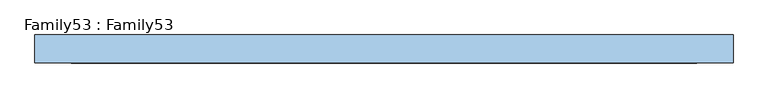
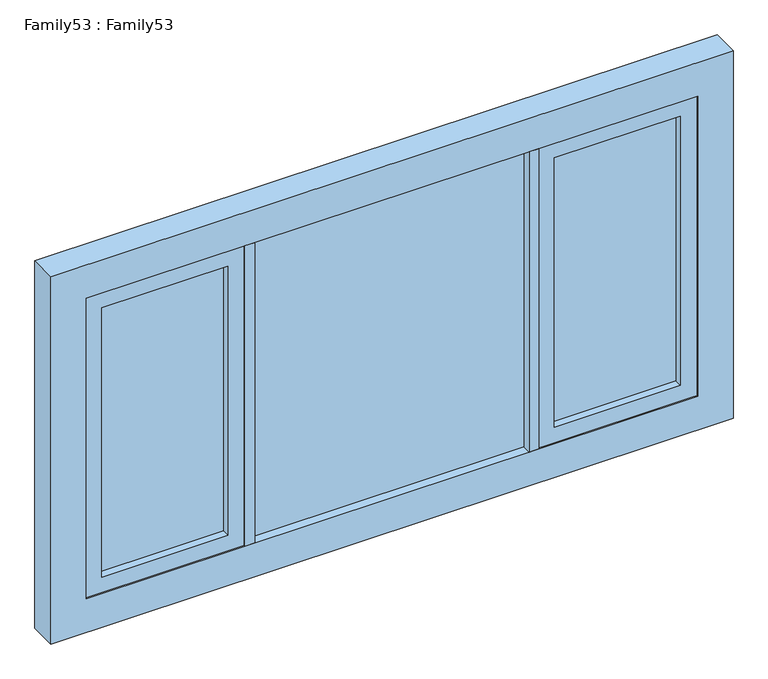
"""IFC4 building model written with IfcOpenShell, lengths in millimetres: window geometry, Family53 : Family53."""

from ifc_helpers import new_model, si_unit, frame, origin, place, context, project, spatial, polyline, outline, extrude, source, transform, mapped, element, save


def family53_family53_deb7141f(model_context):
    return source(origin(), model_context, "Body", "SweptSolid", [
        extrude(outline(polyline([(420.0, 14.0), (420.0, 10.0), (-420.0, 10.0), (-420.0, 14.0), (420.0, 14.0)])), frame((0.0, 0.0, 909.0), z_axis=(0.0, 0.0, 1.0), x_axis=(1.0, 0.0, 0.0)), (0.0, 0.0, 1.0), 972.0),
        extrude(outline(polyline([(-420.0, -10.0), (420.0, -10.0), (420.0, -14.0), (-420.0, -14.0), (-420.0, -10.0)])), frame((0.0, 0.0, 909.0), z_axis=(0.0, 0.0, 1.0), x_axis=(1.0, 0.0, 0.0)), (0.0, 0.0, 1.0), 972.0),
        extrude(outline(polyline([(-500.0, 14.0), (-500.0, 10.0), (-886.0, 10.0), (-886.0, 14.0), (-500.0, 14.0)])), frame((0.0, 0.0, 959.0), z_axis=(0.0, 0.0, 1.0), x_axis=(1.0, 0.0, 0.0)), (0.0, 0.0, 1.0), 872.0),
        extrude(outline(polyline([(-500.0, -10.0), (-500.0, -14.0), (-886.0, -14.0), (-886.0, -10.0), (-500.0, -10.0)])), frame((0.0, 0.0, 959.0), z_axis=(0.0, 0.0, 1.0), x_axis=(1.0, 0.0, 0.0)), (0.0, 0.0, 1.0), 872.0),
        extrude(outline(polyline([(886.0, 14.0), (886.0, 10.0), (500.0, 10.0), (500.0, 14.0), (886.0, 14.0)])), frame((0.0, 0.0, 959.0), z_axis=(0.0, 0.0, 1.0), x_axis=(1.0, 0.0, 0.0)), (0.0, 0.0, 1.0), 872.0),
        extrude(outline(polyline([(500.0, -10.0), (886.0, -10.0), (886.0, -14.0), (500.0, -14.0), (500.0, -10.0)])), frame((0.0, 0.0, 959.0), z_axis=(0.0, 0.0, 1.0), x_axis=(1.0, 0.0, 0.0)), (0.0, 0.0, 1.0), 872.0),
        extrude(outline(polyline([(450.0, -42.0), (420.0, -42.0), (420.0, 42.0), (450.0, 42.0), (450.0, -42.0)])), frame((0.0, 0.0, 909.0), z_axis=(0.0, 0.0, 1.0), x_axis=(1.0, 0.0, 0.0)), (0.0, 0.0, 1.0), 972.0),
        extrude(outline(polyline([(-420.0, -42.0), (-450.0, -42.0), (-450.0, 42.0), (-420.0, 42.0), (-420.0, -42.0)])), frame((0.0, 0.0, 909.0), z_axis=(0.0, 0.0, 1.0), x_axis=(1.0, 0.0, 0.0)), (0.0, 0.0, 1.0), 972.0),
        extrude(outline(polyline([(1881.0, 450.0), (909.0, 450.0), (909.0, 936.0), (1881.0, 936.0), (1881.0, 450.0)]), holes=[polyline([(959.0, 500.0), (1831.0, 500.0), (1831.0, 886.0), (959.0, 886.0), (959.0, 500.0)])]), frame((0.0, -38.0, 0.0), z_axis=(0.0, 1.0, 0.0), x_axis=(0.0, 0.0, 1.0)), (0.0, 0.0, 1.0), 76.0),
        extrude(outline(polyline([(1881.0, -450.0), (1881.0, -936.0), (909.0, -936.0), (909.0, -450.0), (1881.0, -450.0)]), holes=[polyline([(959.0, -500.0), (959.0, -886.0), (1831.0, -886.0), (1831.0, -500.0), (959.0, -500.0)])]), frame((0.0, -38.0, 0.0), z_axis=(0.0, 1.0, 0.0), x_axis=(0.0, 0.0, 1.0)), (0.0, 0.0, 1.0), 76.0),
        extrude(outline(polyline([(1990.0, 1045.0), (1990.0, -1045.0), (800.0, -1045.0), (800.0, 1045.0), (1990.0, 1045.0)]), holes=[polyline([(909.0, 936.0), (909.0, -936.0), (1881.0, -936.0), (1881.0, 936.0), (909.0, 936.0)])]), frame((0.0, -42.0, 0.0), z_axis=(0.0, 1.0, 0.0), x_axis=(0.0, 0.0, 1.0)), (0.0, 0.0, 1.0), 84.0),
    ])


if __name__ == "__main__":
    model = new_model("IFC4")
    model_context = context("Model", 3, world=origin())
    ifc_project = project(units=[si_unit("LENGTHUNIT", "METRE", prefix="MILLI")], contexts=[model_context])
    site = spatial("IfcSite", under=ifc_project)
    building = spatial("IfcBuilding", under=site)
    placement = place(None, origin())
    family53_family53_shape = family53_family53_deb7141f(model_context)
    element("IfcWindow", 1, ObjectType="Family53 : Family53", at=placement, inside=building, context=model_context, shape_type="MappedRepresentation", body=[
        mapped(family53_family53_shape, transform((0.0, 0.0, 0.0), x_axis=(1.0, 0.0, 0.0), y_axis=(0.0, 1.0, 0.0), z_axis=(0.0, 0.0, 1.0))),
    ])
    save(model, "model.ifc")
